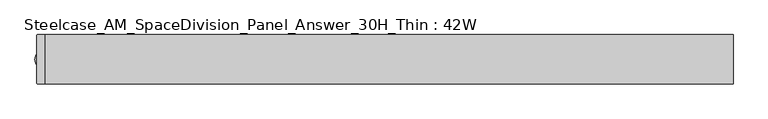
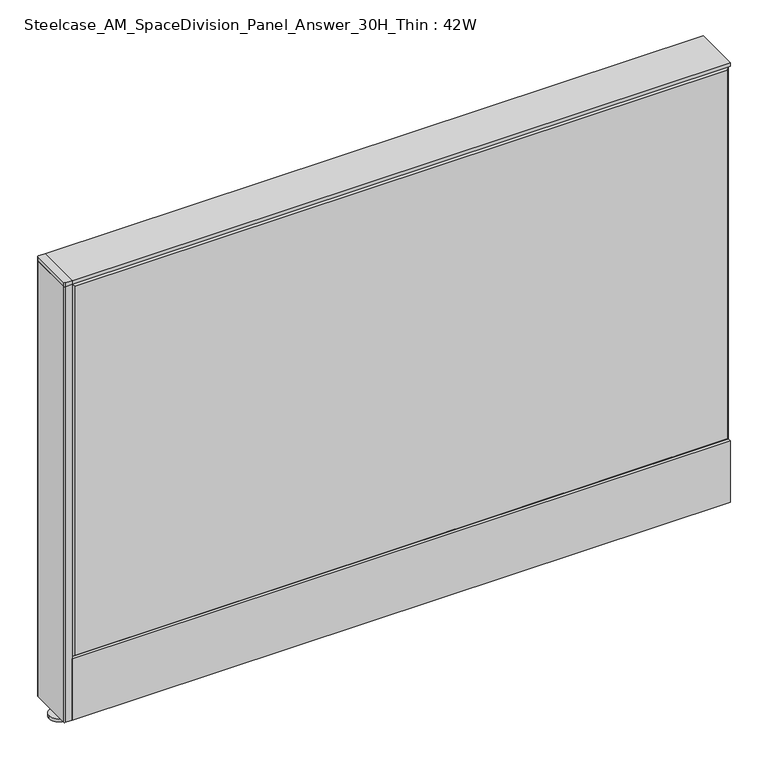
"""IFC4 building model written with IfcOpenShell, lengths in millimetres: furniture geometry, Steelcase_AM_SpaceDivision_Panel_Answer_30H_Thin : 42W."""

import ifcopenshell
import ifcopenshell.guid

model = None  # the IFC model being written
_history = None  # IfcOwnerHistory: only IFC2X3 demands one
_inside = {}  # id of a spatial element -> (the spatial element, [elements in it])
_under = {}  # id of a project, library or spatial element -> (it, [spatial elements below it])
_declared = {}  # id of a project -> (the project, [libraries it declares])
_typed = {}  # id of a type object -> (the type object, [elements of that type])
_made_of = {}  # id of a material, layer set ... -> (it, [elements and type objects made of it])


def new_model(schema):
    """Start an empty IFC model of exactly this schema.

    Asked for "IFC4X3", IfcOpenShell would pick the latest addendum, in which some entities
    have other attributes; the version numbers below select the first issue.
    IFC2X3 requires an IfcOwnerHistory on every rooted entity: one is made here for all.
    """
    global model, _history
    if schema == "IFC4X3":
        model = ifcopenshell.file(schema_version=(4, 3, 0, 0))
    else:
        model = ifcopenshell.file(schema=schema)
    _inside.clear()
    _under.clear()
    _declared.clear()
    _typed.clear()
    _made_of.clear()
    _history = None
    if model.schema == "IFC2X3":
        org = make("IfcOrganization", Name="unknown")
        user = make(
            "IfcPersonAndOrganization",
            ThePerson=make("IfcPerson", FamilyName="unknown"),
            TheOrganization=org,
        )
        app = make(
            "IfcApplication",
            ApplicationDeveloper=org,
            Version="unknown",
            ApplicationFullName="unknown",
            ApplicationIdentifier="unknown",
        )
        _history = make(
            "IfcOwnerHistory",
            OwningUser=user,
            OwningApplication=app,
            ChangeAction="ADDED",
            CreationDate=0,
        )
    return model


def make(cls, **values):
    """One entity of the class cls with the attributes given. An attribute that is None is left unset."""
    return model.create_entity(
        cls, **{name: value for name, value in values.items() if value is not None}
    )


def rooted(cls, **values):
    """An entity with a GlobalId (a new one), such as an element, a storey or a relation."""
    return make(cls, GlobalId=ifcopenshell.guid.new(), OwnerHistory=_history, **values)


def si_unit(unit_type, name, prefix=None):
    """IfcSIUnit, for example si_unit("LENGTHUNIT", "METRE", prefix="MILLI")."""
    return make("IfcSIUnit", UnitType=unit_type, Prefix=prefix, Name=name)


def assignment(units):
    """IfcUnitAssignment: the units of a project."""
    return None if units is None else make("IfcUnitAssignment", Units=units)


def point(xyz):
    """IfcCartesianPoint."""
    return None if xyz is None else make("IfcCartesianPoint", Coordinates=xyz)


def direction(xyz):
    """IfcDirection."""
    return None if xyz is None else make("IfcDirection", DirectionRatios=xyz)


def frame(location, z_axis=None, x_axis=None):
    """IfcAxis2Placement3D, a coordinate frame: its origin and axes. An axis left out is left unset."""
    return make(
        "IfcAxis2Placement3D",
        Location=point(location),
        Axis=direction(z_axis),
        RefDirection=direction(x_axis),
    )


def frame_2d(location, x_axis=None):
    """IfcAxis2Placement2D, a coordinate frame in the plane: its origin and x axis."""
    return make(
        "IfcAxis2Placement2D", Location=point(location), RefDirection=direction(x_axis)
    )


def origin():
    """The frame at (0, 0, 0) with its axes left unset."""
    return frame((0.0, 0.0, 0.0))


def place(relative_to, where):
    """IfcLocalPlacement: puts the frame where relative to a parent placement (None: the world)."""
    return make(
        "IfcLocalPlacement", PlacementRelTo=relative_to, RelativePlacement=where
    )


def context(
    kind, dimensions, precision=None, world=None, true_north=None, identifier=None
):
    """IfcGeometricRepresentationContext, for example the 3D "Model" context."""
    return make(
        "IfcGeometricRepresentationContext",
        ContextIdentifier=identifier,
        ContextType=kind,
        CoordinateSpaceDimension=dimensions,
        Precision=precision,
        WorldCoordinateSystem=world,
        TrueNorth=true_north,
    )


def project(units=None, contexts=None):
    """IfcProject with its units and contexts."""
    return rooted(
        "IfcProject",
        Name="project",
        RepresentationContexts=contexts,
        UnitsInContext=assignment(units),
    )


def spatial(cls, under=None, at=None, **own):
    """A site, building, storey or space (cls), placed at a placement, below another one or the project."""
    s = rooted(cls, ObjectPlacement=at, **own)
    if under is not None:
        _under.setdefault(under.id(), (under, []))[1].append(s)
    return s


def polyline(points):
    """IfcPolyline through the points."""
    return make("IfcPolyline", Points=[point(p) for p in points])


def circle_curve(where, radius):
    """IfcCircle in the frame where."""
    return make("IfcCircle", Position=where, Radius=radius)


def trimmed(basis, trim1, trim2, sense, master):
    """IfcTrimmedCurve: the piece of a basis curve between two trims."""
    return make(
        "IfcTrimmedCurve",
        BasisCurve=basis,
        Trim1=trim1,
        Trim2=trim2,
        SenseAgreement=sense,
        MasterRepresentation=master,
    )


def segment(curve, same_sense, transition):
    """IfcCompositeCurveSegment."""
    return make(
        "IfcCompositeCurveSegment",
        Transition=transition,
        SameSense=same_sense,
        ParentCurve=curve,
    )


def composite_curve(segments, self_intersect=None):
    """IfcCompositeCurve: segments joined end to end."""
    return make("IfcCompositeCurve", Segments=segments, SelfIntersect=self_intersect)


def outline(outer, holes=None, kind="AREA"):
    """IfcArbitraryClosedProfileDef: a profile drawn as a closed curve; with holes, ...WithVoids."""
    if holes is None:
        return make("IfcArbitraryClosedProfileDef", ProfileType=kind, OuterCurve=outer)
    return make(
        "IfcArbitraryProfileDefWithVoids",
        ProfileType=kind,
        OuterCurve=outer,
        InnerCurves=holes,
    )


def extrude(swept, where, along, depth):
    """IfcExtrudedAreaSolid: the profile swept, set in the frame where, extruded along a direction by depth."""
    return make(
        "IfcExtrudedAreaSolid",
        SweptArea=swept,
        Position=where,
        ExtrudedDirection=direction(along),
        Depth=depth,
    )


def faces_of(points, faces, orient=None, outer=None):
    """IfcFace entities. A face is a list of loops; a loop is a list of indices into points, from 0.

    orient and outer hold one flag for each loop. By default every Orientation is true, the
    first loop of a face is its IfcFaceOuterBound and the others are IfcFaceBound.
    """
    made = []
    for i, loops in enumerate(faces):
        bounds = []
        for j, loop in enumerate(loops):
            is_outer = j == 0 if outer is None else outer[i][j]
            bounds.append(
                make(
                    "IfcFaceOuterBound" if is_outer else "IfcFaceBound",
                    Bound=make("IfcPolyLoop", Polygon=[points[k] for k in loop]),
                    Orientation=True if orient is None else orient[i][j],
                )
            )
        made.append(make("IfcFace", Bounds=bounds))
    return made


def faceted_brep(points, faces, orient=None, outer=None, voids=None):
    """IfcFacetedBrep: a solid bounded by flat faces; with voids (closed shells), ...WithVoids."""
    shared = [point(p) for p in points]
    hull = make("IfcClosedShell", CfsFaces=faces_of(shared, faces, orient, outer))
    if voids is None:
        return make("IfcFacetedBrep", Outer=hull)
    return make(
        "IfcFacetedBrepWithVoids",
        Outer=hull,
        Voids=[
            make(cls, CfsFaces=faces_of(shared, fs, o, b)) for cls, fs, o, b in voids
        ],
    )


def shape(context_of_items, identifier, shape_type, items):
    """IfcShapeRepresentation: the items that make up one representation, for example the "Body"."""
    return make(
        "IfcShapeRepresentation",
        ContextOfItems=context_of_items,
        RepresentationIdentifier=identifier,
        RepresentationType=shape_type,
        Items=items,
    )


def source(mapping_origin, context_of_items, identifier, shape_type, items):
    """IfcRepresentationMap: a shape defined once, which mapped items show again and again."""
    return make(
        "IfcRepresentationMap",
        MappingOrigin=mapping_origin,
        MappedRepresentation=shape(context_of_items, identifier, shape_type, items),
    )


def transform(
    local_origin,
    x_axis=None,
    y_axis=None,
    z_axis=None,
    scale=None,
    scale2=None,
    scale3=None,
    uniform=True,
):
    """IfcCartesianTransformationOperator3D, or its non-uniform kind. x_axis, y_axis, z_axis: its Axis1, 2, 3."""
    if uniform:
        return make(
            "IfcCartesianTransformationOperator3D",
            Axis1=direction(x_axis),
            Axis2=direction(y_axis),
            LocalOrigin=point(local_origin),
            Scale=scale,
            Axis3=direction(z_axis),
        )
    return make(
        "IfcCartesianTransformationOperator3DnonUniform",
        Axis1=direction(x_axis),
        Axis2=direction(y_axis),
        LocalOrigin=point(local_origin),
        Scale=scale,
        Axis3=direction(z_axis),
        Scale2=scale2,
        Scale3=scale3,
    )


def mapped(mapping_source, mapping_target):
    """IfcMappedItem: shows the shape of a source again, moved by a transform."""
    return make(
        "IfcMappedItem", MappingSource=mapping_source, MappingTarget=mapping_target
    )


def made_of(thing, what):
    """Note that an element or type object is made of a material, layer set ...; save() writes the relation."""
    if what is not None:
        _made_of.setdefault(what.id(), (what, []))[1].append(thing)
    return thing


def element(
    cls,
    number,
    at=None,
    inside=None,
    cuts=None,
    type_object=None,
    material=None,
    context=None,
    identifier="Body",
    shape_type=None,
    held_by="IfcProductDefinitionShape",
    body=None,
    shapes=None,
    **own,
):
    """One element of the class cls, such as IfcWall. Its Tag is "e" and its number.

    at: its placement. inside: the storey or other place that contains it. cuts: it is an
    opening in that element (IfcRelVoidsElement). A single representation is given by context,
    identifier, shape_type and body (its items); several are given by shapes. held_by: the class
    of the entity that holds the representations. save() writes the other relations.
    """
    e = rooted(cls, Tag="e%d" % number, ObjectPlacement=at, **own)
    if body is not None:
        shapes = [shape(context, identifier, shape_type, body)]
    if shapes is not None:
        e.Representation = make(held_by, Representations=shapes)
    if inside is not None:
        _inside.setdefault(inside.id(), (inside, []))[1].append(e)
    if cuts is not None:
        rooted(
            "IfcRelVoidsElement", RelatingBuildingElement=cuts, RelatedOpeningElement=e
        )
    if type_object is not None:
        _typed.setdefault(type_object.id(), (type_object, []))[1].append(e)
    return made_of(e, material)


def aggregate(whole, parts):
    """IfcRelAggregates: a whole, such as a stair, and the parts it consists of."""
    return rooted("IfcRelAggregates", RelatingObject=whole, RelatedObjects=parts)


def save(model, path):
    """Write the relations noted so far, then the file.

    IfcRelAggregates (storeys below a building ...), IfcRelContainedInSpatialStructure (elements
    in a storey), IfcRelDefinesByType, IfcRelAssociatesMaterial and IfcRelDeclares: one each for
    every whole, place, type object, material and project.
    """
    for whole, parts in _under.values():
        aggregate(whole, parts)
    for where, things in _inside.values():
        rooted(
            "IfcRelContainedInSpatialStructure",
            RelatedElements=things,
            RelatingStructure=where,
        )
    for kind, things in _typed.values():
        rooted("IfcRelDefinesByType", RelatedObjects=things, RelatingType=kind)
    for what, things in _made_of.values():
        rooted("IfcRelAssociatesMaterial", RelatedObjects=things, RelatingMaterial=what)
    for by, libraries in _declared.values():
        rooted("IfcRelDeclares", RelatingContext=by, RelatedDefinitions=libraries)
    model.write(path)


def steelcase_am_spacedivision_panel_answer_30h_thin_42w_6cde86a9(model_context):
    return source(origin(), model_context, "Body", "SolidModel", [
        extrude(outline(polyline([(37.3075215, 119.8575157), (25.4000011, 119.8575157), (25.4000011, 120.65), (38.1000194, 120.65), (38.1000194, 15.494), (37.3075215, 15.494), (37.3075215, 119.8575157)])), frame((-533.4, 0.0, 0.0), z_axis=(1.0, 0.0, 0.0), x_axis=(0.0, 1.0, 0.0)), (0.0, 0.0, 1.0), 1066.8),
        extrude(outline(polyline([(-37.3075215, 119.8575157), (-37.3075215, 15.494), (-38.1000194, 15.494), (-38.1000194, 120.65), (-25.4000011, 120.65), (-25.4000011, 119.8575157), (-37.3075215, 119.8575157)])), frame((-533.4, 0.0, 0.0), z_axis=(1.0, 0.0, 0.0), x_axis=(0.0, 1.0, 0.0)), (0.0, 0.0, 1.0), 1066.8),
        extrude(outline(composite_curve([segment(trimmed(circle_curve(frame_2d((-533.4, 0.0)), 5.08), [point((-538.48, 0.0))], [point((-528.32, 0.0))], False, "CARTESIAN"), True, "CONTINUOUS"), segment(trimmed(circle_curve(frame_2d((-533.4, 0.0)), 5.08), [point((-528.32, 0.0))], [point((-538.48, 0.0))], False, "CARTESIAN"), True, "CONTINUOUS")], self_intersect=False)), frame((0.0, 0.0, 5.0799671), z_axis=(0.0, 0.0, 1.0), x_axis=(1.0, 0.0, 0.0)), (0.0, 0.0, 1.0), 10.414),
        extrude(outline(composite_curve([segment(trimmed(circle_curve(frame_2d((-533.4, 0.0)), 15.24), [point((-548.64, 0.0))], [point((-518.16, 0.0))], False, "CARTESIAN"), True, "CONTINUOUS"), segment(trimmed(circle_curve(frame_2d((-533.4, 0.0)), 15.24), [point((-518.16, 0.0))], [point((-548.64, 0.0))], False, "CARTESIAN"), True, "CONTINUOUS")], self_intersect=False)), frame((0.0, 0.0, -3.29e-05), z_axis=(0.0, 0.0, 1.0), x_axis=(1.0, 0.0, 0.0)), (0.0, 0.0, 1.0), 5.08),
        extrude(outline(composite_curve([segment(polyline([(-546.1, -36.3220194), (-546.1, 36.3219806)]), True, "CONTINUOUS"), segment(trimmed(circle_curve(frame_2d((-544.322, 36.3219806)), 1.778), [point((-546.1, 36.3219806))], [point((-544.322, 38.0999806))], False, "CARTESIAN"), True, "CONTINUOUS"), segment(polyline([(-544.322, 38.0999806), (-533.4, 38.0999806), (-533.4, -38.1000194), (-544.322, -38.1000194)]), True, "CONTINUOUS"), segment(trimmed(circle_curve(frame_2d((-544.322, -36.3220194)), 1.778), [point((-544.322, -38.1000194))], [point((-546.1, -36.3220194))], False, "CARTESIAN"), True, "CONTINUOUS")], self_intersect=False)), frame((0.0, 0.0, 761.9999671), z_axis=(0.0, 0.0, 1.0), x_axis=(1.0, 0.0, 0.0)), (0.0, 0.0, 1.0), 6.35),
        extrude(outline(composite_curve([segment(polyline([(-546.1, -36.3220194), (-546.1, 36.3219806)]), True, "CONTINUOUS"), segment(trimmed(circle_curve(frame_2d((-544.322, 36.3219806)), 1.778), [point((-546.1, 36.3219806))], [point((-544.322, 38.0999806))], False, "CARTESIAN"), True, "CONTINUOUS"), segment(polyline([(-544.322, 38.0999806), (-533.4, 38.0999806), (-533.4, -38.1000194), (-544.322, -38.1000194)]), True, "CONTINUOUS"), segment(trimmed(circle_curve(frame_2d((-544.322, -36.3220194)), 1.778), [point((-544.322, -38.1000194))], [point((-546.1, -36.3220194))], False, "CARTESIAN"), True, "CONTINUOUS")], self_intersect=False)), frame((0.0, 0.0, 15.4939671), z_axis=(0.0, 0.0, 1.0), x_axis=(1.0, 0.0, 0.0)), (0.0, 0.0, 1.0), 746.506),
        faceted_brep([(528.574, 38.100001, 757.174), (528.574, 38.100001, 125.476), (-528.574, 38.100001, 125.476), (-528.574, 38.100001, 757.174), (533.4, 33.274001, 762.0), (-533.4, 33.274001, 762.0), (-533.4, 33.274001, 120.65), (533.4, 33.274001, 120.65)], [[[0, 1, 2, 3]], [[4, 5, 6, 7]], [[4, 0, 3, 5]], [[5, 3, 2, 6]], [[6, 2, 1, 7]], [[7, 1, 0, 4]]]),
        faceted_brep([(528.574, -38.100001, 757.174), (-528.574, -38.100001, 757.174), (-528.574, -38.100001, 125.476), (528.574, -38.100001, 125.476), (533.4, -33.274001, 762.0), (533.4, -33.274001, 120.65), (-533.4, -33.274001, 120.65), (-533.4, -33.274001, 762.0)], [[[0, 1, 2, 3]], [[4, 5, 6, 7]], [[4, 7, 1, 0]], [[7, 6, 2, 1]], [[6, 5, 3, 2]], [[5, 4, 0, 3]]]),
        extrude(outline(polyline([(533.4, 38.1000194), (533.4, -38.1000194), (-533.4, -38.1000194), (-533.4, 38.1000194), (533.4, 38.1000194)])), frame((0.0, 0.0, 762.0), z_axis=(0.0, 0.0, 1.0), x_axis=(1.0, 0.0, 0.0)), (0.0, 0.0, 1.0), 6.35),
    ])


if __name__ == "__main__":
    model = new_model("IFC4")
    model_context = context("Model", 3, world=origin())
    ifc_project = project(units=[si_unit("LENGTHUNIT", "METRE", prefix="MILLI")], contexts=[model_context])
    site = spatial("IfcSite", under=ifc_project)
    building = spatial("IfcBuilding", under=site)
    placement = place(None, origin())
    steelcase_am_spacedivision_panel_answer_30h_thin_42w_shape = steelcase_am_spacedivision_panel_answer_30h_thin_42w_6cde86a9(model_context)
    element("IfcFurniture", 1, ObjectType="Steelcase_AM_SpaceDivision_Panel_Answer_30H_Thin : 42W", at=placement, inside=building, context=model_context, shape_type="MappedRepresentation", body=[
        mapped(steelcase_am_spacedivision_panel_answer_30h_thin_42w_shape, transform((0.0, 0.0, 0.0), x_axis=(1.0, 0.0, 0.0), y_axis=(0.0, 1.0, 0.0), z_axis=(0.0, 0.0, 1.0))),
    ])
    save(model, "model.ifc")
